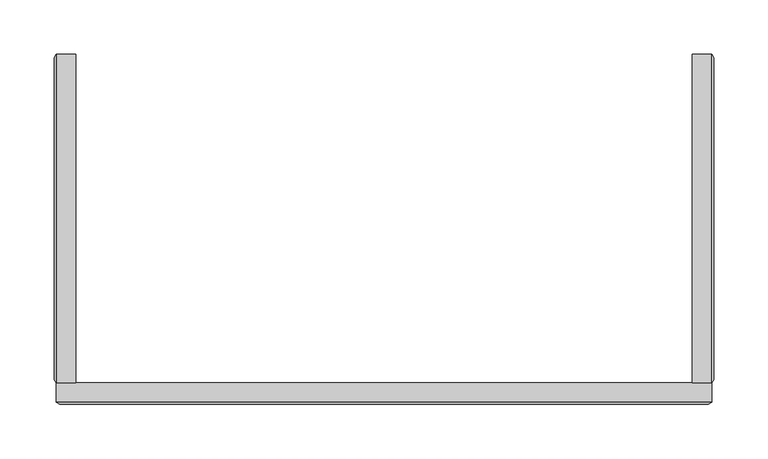
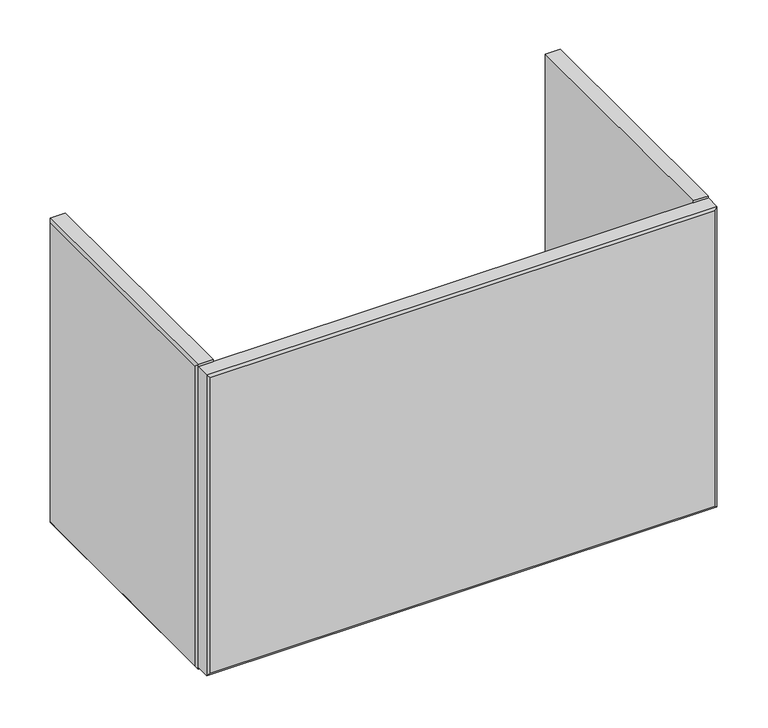
"""IFC4 building model written with IfcOpenShell, lengths in millimetres: furniture geometry."""

from ifc_helpers import new_model, si_unit, origin, place, context, project, spatial, faceted_brep, source, transform, mapped, element, save


def furniture_b9686f52(model_context):
    return source(origin(), model_context, "Body", "Brep", [
        faceted_brep([(-282.888965, -324.2665622, 506.1148437), (-265.1648424, -324.2665622, 506.1148437), (-265.1648424, -324.2665622, 887.1148438), (-282.888965, -324.2665622, 887.1148438), (-282.888965, -21.75256, 887.1148438), (-265.1648424, -21.75256, 887.1148438), (-265.1648424, -21.75256, 506.1148437), (-282.888965, -21.75256, 506.1148437), (-284.722842, -24.9275601, 883.9340739), (-284.722842, -321.0915561, 883.9340739), (-284.722842, -24.9275601, 509.2956136), (-284.722842, -321.0915561, 509.2956136)], [[[0, 1, 2, 3]], [[4, 5, 6, 7]], [[3, 4, 8, 9]], [[9, 8, 10, 11]], [[1, 0, 7, 6]], [[2, 1, 6, 5]], [[3, 2, 5, 4]], [[7, 0, 11, 10]], [[4, 7, 10, 8]], [[0, 3, 9, 11]]]),
        faceted_brep([(302.6369231, -324.2665622, 506.1148437), (320.3643748, -324.2665622, 506.1148437), (320.3643748, -324.2665622, 887.1148438), (302.6369231, -324.2665622, 887.1148438), (302.6369231, -21.75256, 506.1148437), (302.6369231, -21.75256, 887.1148438), (320.3643748, -21.75256, 887.1148438), (320.3643748, -21.75256, 506.1148437), (322.1982518, -321.0915561, 509.2956136), (322.1982518, -24.9275601, 509.2956136), (322.1982518, -24.9275601, 883.9340739), (322.1982518, -321.0915561, 883.9340739)], [[[0, 1, 2, 3]], [[4, 5, 6, 7]], [[8, 9, 10, 11]], [[6, 2, 11, 10]], [[3, 2, 6, 5]], [[0, 3, 5, 4]], [[1, 0, 4, 7]], [[1, 7, 9, 8]], [[2, 1, 8, 11]], [[7, 6, 10, 9]]]),
        faceted_brep([(-282.888965, -341.9906802, 884.7653324), (-282.888965, -324.2665622, 884.7653324), (-282.888965, -324.2665622, 508.4643551), (-282.888965, -341.9906802, 508.4643551), (320.3643748, -341.9906802, 508.4643551), (320.3643748, -324.2665622, 508.4643551), (320.3643748, -324.2665622, 884.7653324), (320.3643748, -341.9906802, 884.7653324), (-279.7139635, -343.8166225, 881.5903445), (317.1893733, -343.8166225, 881.5903445), (317.1893733, -343.8166225, 511.639343), (-279.7139635, -343.8166225, 511.639343)], [[[0, 1, 2, 3]], [[4, 5, 6, 7]], [[7, 0, 8, 9]], [[1, 0, 7, 6]], [[2, 1, 6, 5]], [[3, 2, 5, 4]], [[3, 4, 10, 11]], [[9, 8, 11, 10]], [[4, 7, 9, 10]], [[0, 3, 11, 8]]]),
    ])


if __name__ == "__main__":
    model = new_model("IFC4")
    model_context = context("Model", 3, world=origin())
    ifc_project = project(units=[si_unit("LENGTHUNIT", "METRE", prefix="MILLI")], contexts=[model_context])
    site = spatial("IfcSite", under=ifc_project)
    building = spatial("IfcBuilding", under=site)
    placement = place(None, origin())
    furniture_shape = furniture_b9686f52(model_context)
    element("IfcFurniture", 1, at=placement, inside=building, context=model_context, shape_type="MappedRepresentation", body=[
        mapped(furniture_shape, transform((0.0, 0.0, 0.0), x_axis=(1.0, 0.0, 0.0), y_axis=(0.0, 1.0, 0.0), z_axis=(0.0, 0.0, 1.0))),
    ])
    save(model, "model.ifc")
